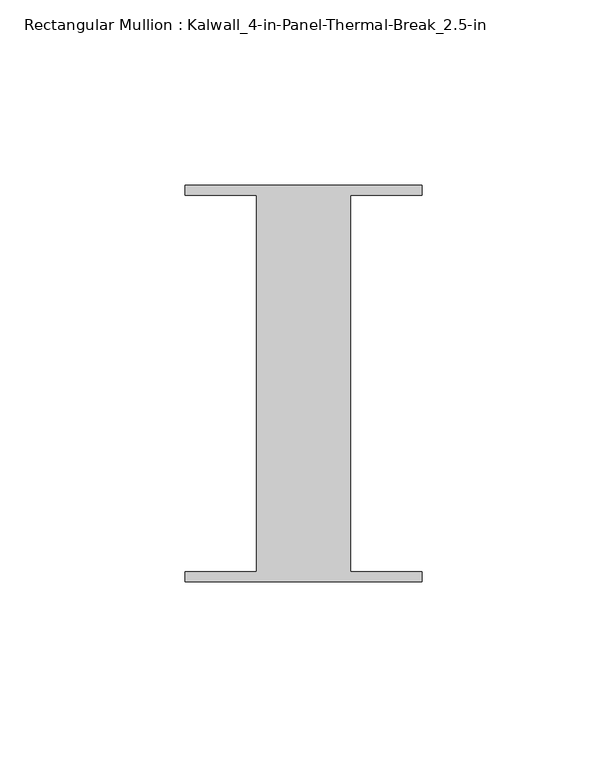
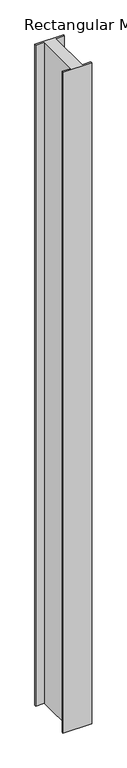
"""IFC4 building model written with IfcOpenShell, lengths in millimetres: member geometry, Rectangular Mullion : Kalwall_4-in-Panel-Thermal-Break_2.5-in."""

from ifc_helpers import new_model, si_unit, frame, origin, place, context, project, spatial, polyline, outline, extrude, source, transform, mapped, element, save


def rectangular_mullion_kalwall_4_in_panel_thermal_break_2_5_in_b6da1ff6(model_context):
    return source(origin(), model_context, "Body", "SweptSolid", [
        extrude(outline(polyline([(-32.0, 53.594), (32.0, 53.594), (32.0, 50.8), (12.7, 50.8), (12.7, -50.8), (32.0, -50.8), (32.0, -53.594), (-32.0, -53.594), (-32.0, -50.8), (-12.7, -50.8), (-12.7, 50.8), (-32.0, 50.8), (-32.0, 53.594)])), frame((0.0, 0.0, -1549.4), z_axis=(0.0, 0.0, 1.0), x_axis=(1.0, 0.0, 0.0)), (0.0, 0.0, 1.0), 1549.4),
    ])


if __name__ == "__main__":
    model = new_model("IFC4")
    model_context = context("Model", 3, world=origin())
    ifc_project = project(units=[si_unit("LENGTHUNIT", "METRE", prefix="MILLI")], contexts=[model_context])
    site = spatial("IfcSite", under=ifc_project)
    building = spatial("IfcBuilding", under=site)
    placement = place(None, origin())
    rectangular_mullion_kalwall_4_in_panel_thermal_break_2_5_in_shape = rectangular_mullion_kalwall_4_in_panel_thermal_break_2_5_in_b6da1ff6(model_context)
    element("IfcMember", 1, ObjectType="Rectangular Mullion : Kalwall_4-in-Panel-Thermal-Break_2.5-in", at=placement, inside=building, context=model_context, shape_type="MappedRepresentation", body=[
        mapped(rectangular_mullion_kalwall_4_in_panel_thermal_break_2_5_in_shape, transform((0.0, 0.0, 0.0), x_axis=(1.0, 0.0, 0.0), y_axis=(0.0, 1.0, 0.0), z_axis=(0.0, 0.0, 1.0))),
    ])
    save(model, "model.ifc")
